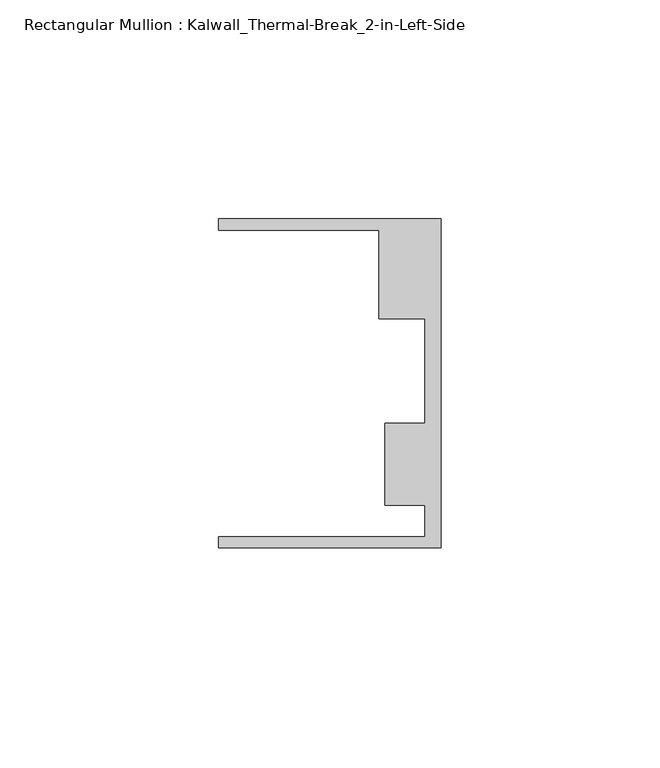
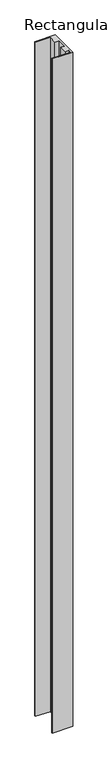
"""IFC4 building model written with IfcOpenShell, lengths in millimetres: member geometry, Rectangular Mullion : Kalwall_Thermal-Break_2-in-Left-Side."""

from ifc_helpers import new_model, si_unit, frame, origin, place, context, project, spatial, polyline, outline, extrude, source, transform, mapped, element, save


def rectangular_mullion_kalwall_thermal_break_2_in_left_side_8f9afe54(model_context):
    return source(origin(), model_context, "Body", "SweptSolid", [
        extrude(outline(polyline([(0.0, -37.5776386), (-50.8, -37.5776386), (-50.8, -35.0376386), (-3.7084, -35.0376386), (-3.7084, -27.8888568), (-12.8272539, -27.8888568), (-12.8272539, -9.1879886), (-3.7084, -9.1879886), (-3.7084, 14.7439614), (-14.1732, 14.7439614), (-14.1732, 34.9623614), (-50.8, 34.9623614), (-50.8, 37.5023614), (0.0, 37.5023614), (0.0, -37.5776386)])), frame((0.0, 0.0, -1776.625), z_axis=(0.0, 0.0, 1.0), x_axis=(1.0, 0.0, 0.0)), (0.0, 0.0, 1.0), 1776.625),
    ])


if __name__ == "__main__":
    model = new_model("IFC4")
    model_context = context("Model", 3, world=origin())
    ifc_project = project(units=[si_unit("LENGTHUNIT", "METRE", prefix="MILLI")], contexts=[model_context])
    site = spatial("IfcSite", under=ifc_project)
    building = spatial("IfcBuilding", under=site)
    placement = place(None, origin())
    rectangular_mullion_kalwall_thermal_break_2_in_left_side_shape = rectangular_mullion_kalwall_thermal_break_2_in_left_side_8f9afe54(model_context)
    element("IfcMember", 1, ObjectType="Rectangular Mullion : Kalwall_Thermal-Break_2-in-Left-Side", at=placement, inside=building, context=model_context, shape_type="MappedRepresentation", body=[
        mapped(rectangular_mullion_kalwall_thermal_break_2_in_left_side_shape, transform((0.0, 0.0, 0.0), x_axis=(1.0, 0.0, 0.0), y_axis=(0.0, 1.0, 0.0), z_axis=(0.0, 0.0, 1.0))),
    ])
    save(model, "model.ifc")
